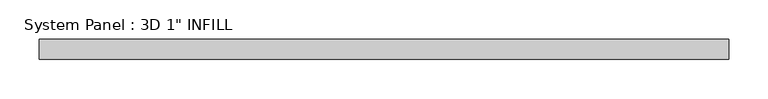
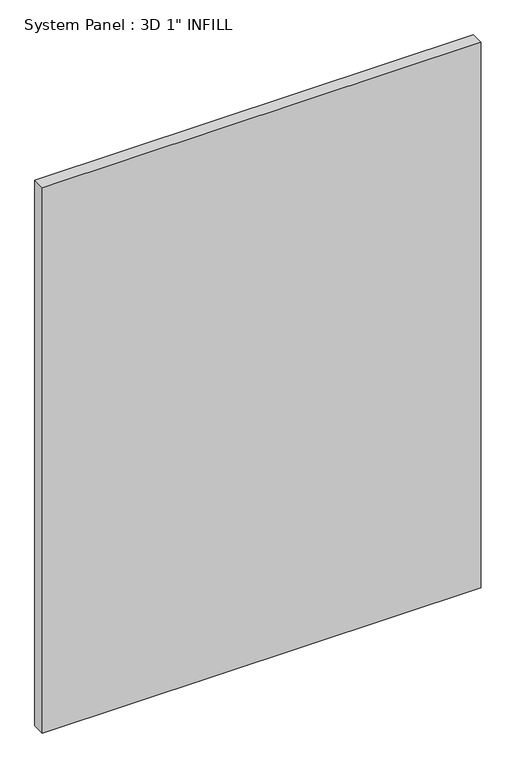
"""IFC4 building model written with IfcOpenShell, lengths in millimetres: plate geometry."""

from ifc_helpers import new_model, si_unit, origin, origin_with_axes, place, context, project, spatial, polyline, outline, extrude, source, transform, mapped, element, save


def plate_26fe85d9(model_context):
    return source(origin(), model_context, "Body", "SweptSolid", [
        extrude(outline(polyline([(437.753125, -12.7), (-437.753125, -12.7), (-437.753125, 12.7), (437.753125, 12.7), (437.753125, -12.7)])), origin_with_axes(), (0.0, 0.0, 1.0), 1150.1907666),
    ])


if __name__ == "__main__":
    model = new_model("IFC4")
    model_context = context("Model", 3, world=origin())
    ifc_project = project(units=[si_unit("LENGTHUNIT", "METRE", prefix="MILLI")], contexts=[model_context])
    site = spatial("IfcSite", under=ifc_project)
    building = spatial("IfcBuilding", under=site)
    placement = place(None, origin())
    plate_shape = plate_26fe85d9(model_context)
    element("IfcPlate", 1, ObjectType="System Panel : 3D 1\" INFILL", at=placement, inside=building, context=model_context, shape_type="MappedRepresentation", body=[
        mapped(plate_shape, transform((0.0, 0.0, 0.0), x_axis=(1.0, 0.0, 0.0), y_axis=(0.0, 1.0, 0.0), z_axis=(0.0, 0.0, 1.0))),
    ])
    save(model, "model.ifc")
